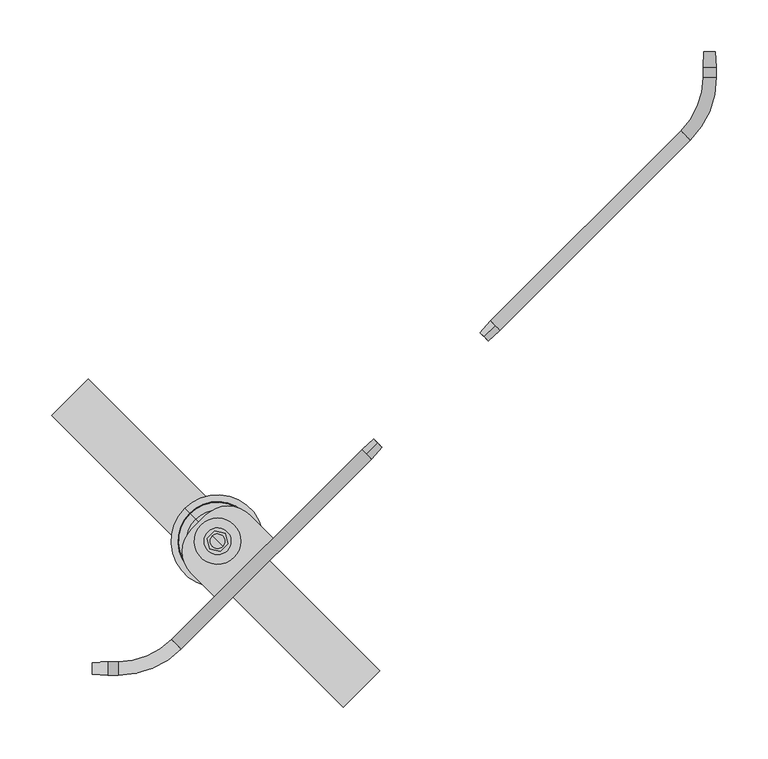
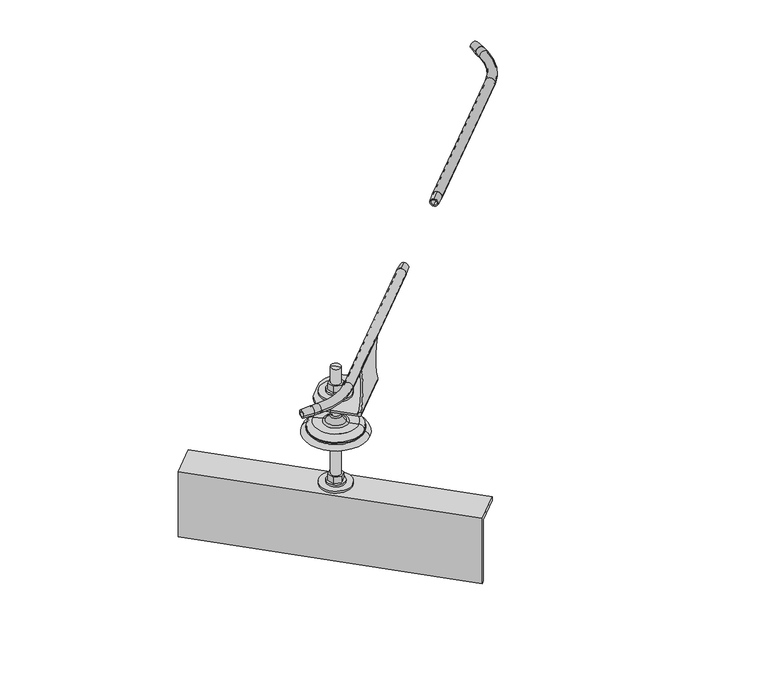
"""IFC4 building model written with IfcOpenShell, lengths in millimetres: proxy geometry."""

from ifc_helpers import new_model, si_unit, point, frame, frame_2d, origin, place, context, project, spatial, polyline, circle_curve, ellipse_curve, trimmed, segment, composite_curve, outline, extrude, source, transform, mapped, element, save
from ifc_brep_helpers import plane_surface, cylinder_surface, revolved_surface, advanced_brep


def specialty_equipment_0eb4c5b4(model_context):
    return source(origin(), model_context, "Body", "SolidModel", [
        advanced_brep(
        [(8259.4, 5.5450814, 143.5), (8274.4, 6.5, 143.5), (8274.4, -6.5, 143.5), (8259.4, -5.5450814, 143.5), (8274.4, 3.5289354, 143.5), (8259.4, 3.5289354, 143.5), (8259.4, -3.5289354, 143.5), (8274.4, -3.5289354, 143.5)],
        [
            (0, 1),
            (1, 2, circle_curve(frame((8274.4, 0.0, 143.5), z_axis=(-1.0, 0.0, 0.0), x_axis=(0.0, -1.0, 0.0)), 6.5)),
            (2, 3),
            (3, 0, circle_curve(frame((8259.4, 0.0, 143.5), z_axis=(1.0, 0.0, 0.0), x_axis=(0.0, -1.0, 0.0)), 5.5450814)),
            (4, 5),
            (5, 6, circle_curve(frame((8259.4, 0.0, 143.5), z_axis=(-1.0, 0.0, 0.0), x_axis=(0.0, -1.0, 0.0)), 3.5289354)),
            (6, 7),
            (7, 4, circle_curve(frame((8274.4, 0.0, 143.5), z_axis=(1.0, 0.0, 0.0), x_axis=(0.0, -1.0, 0.0)), 3.5289354)),
            (1, 2, circle_curve(frame((8274.4, 0.0, 143.5), z_axis=(1.0, 0.0, 0.0), x_axis=(0.0, 1.0, 0.0)), 6.5)),
            (7, 4, circle_curve(frame((8274.4, 0.0, 143.5), z_axis=(-1.0, 0.0, 0.0), x_axis=(0.0, 1.0, 0.0)), 3.5289354)),
            (0, 3, circle_curve(frame((8259.4, 0.0, 143.5), z_axis=(1.0, 0.0, 0.0), x_axis=(0.0, 1.0, 0.0)), 5.5450814)),
            (5, 6, circle_curve(frame((8259.4, 0.0, 143.5), z_axis=(1.0, 0.0, 0.0), x_axis=(0.0, 1.0, 0.0)), 3.5289354)),
        ],
        [
            revolved_surface(polyline([(8274.4, -6.5, 143.5), (8259.4, -5.5450814, 143.5)]), (8274.4, 0.0, 143.5), (-1.0, 0.0, 0.0)),
            revolved_surface(polyline([(8259.4, -3.5289354, 143.5), (8274.4, -3.5289354, 143.5)]), (8274.4, 0.0, 143.5), (-1.0, 0.0, 0.0)),
            plane_surface(frame((8274.4, 0.0, 143.5), z_axis=(1.0, 0.0, 0.0), x_axis=(0.0, 1.0, 0.0))),
            revolved_surface(polyline([(8274.4, 6.5, 143.5), (8259.4, 5.5450814, 143.5)]), (8274.4, 0.0, 143.5), (-1.0, 0.0, 0.0)),
            plane_surface(frame((8259.4, 0.0, 143.5), z_axis=(-1.0, 0.0, 0.0), x_axis=(0.0, 1.0, 0.0))),
            revolved_surface(polyline([(8259.4, 3.5289354, 143.5), (8274.4, 3.5289354, 143.5)]), (8274.4, 0.0, 143.5), (-1.0, 0.0, 0.0)),
        ],
        [
            (0, [[1, 2, 3, 4]]),
            (1, [[5, 6, 7, 8]]),
            (2, [[-2, 9], [-8, 10]]),
            (3, [[-3, -9, -1, 11]]),
            (4, [[-4, -11], [-6, 12]]),
            (5, [[-7, -12, -5, -10]]),
        ],
    ),
        advanced_brep(
        [(8536.0267839, 218.4896989, 149.0859083), (8525.4201822, 207.8830972, 150.0), (8525.4201822, 207.8830972, 137.0), (8536.0267839, 218.4896989, 137.9140917), (8525.4201822, 207.8830972, 147.0859083), (8536.0267839, 218.4896989, 147.0859083), (8536.0267839, 218.4896989, 139.9140917), (8525.4201822, 207.8830972, 139.9140917)],
        [
            (0, 1),
            (1, 2, circle_curve(frame((8525.4201822, 207.8830972, 143.5), z_axis=(0.7071067811866977, 0.7071067811863975, 0.0), x_axis=(0.0, 0.0, -1.0)), 6.5)),
            (2, 3),
            (3, 0, circle_curve(frame((8536.0267839, 218.4896989, 143.5), z_axis=(-0.7071067811866977, -0.7071067811863975, 0.0), x_axis=(0.0, 0.0, -1.0)), 5.5859083)),
            (4, 5),
            (5, 6, circle_curve(frame((8536.0267839, 218.4896989, 143.5), z_axis=(0.7071067811866977, 0.7071067811863975, 0.0), x_axis=(0.0, 0.0, -1.0)), 3.5859083)),
            (6, 7),
            (7, 4, circle_curve(frame((8525.4201822, 207.8830972, 143.5), z_axis=(-0.7071067811866977, -0.7071067811863975, 0.0), x_axis=(0.0, 0.0, -1.0)), 3.5859083)),
            (1, 2, circle_curve(frame((8525.4201822, 207.8830972, 143.5), z_axis=(-0.7071067811866977, -0.7071067811863975, 0.0), x_axis=(0.0, 0.0, 1.0)), 6.5859083)),
            (7, 4, circle_curve(frame((8525.4201822, 207.8830972, 143.5), z_axis=(0.7071067811866977, 0.7071067811863975, 0.0), x_axis=(0.0, 0.0, 1.0)), 3.5859083)),
            (0, 3, circle_curve(frame((8536.0267839, 218.4896989, 143.5), z_axis=(-0.7071067811866977, -0.7071067811863975, 0.0), x_axis=(0.0, 0.0, 1.0)), 5.5859083)),
            (5, 6, circle_curve(frame((8536.0267839, 218.4896989, 143.5), z_axis=(-0.7071067811866977, -0.7071067811863975, 0.0), x_axis=(0.0, 0.0, 1.0)), 3.5859083)),
        ],
        [
            revolved_surface(polyline([(8525.4201822, 207.8830972, 137.0), (8536.0267839, 218.4896989, 137.9140917)]), (8525.4201822, 207.8830972, 143.5), (0.7071067811866977, 0.7071067811863975, 0.0)),
            revolved_surface(polyline([(8536.026783900003, 218.48969889999836, 139.9140917), (8525.4201822, 207.8830972, 139.9140917)]), (8525.4201822, 207.8830972, 143.5), (0.7071067811866977, 0.7071067811863975, 0.0)),
            plane_surface(frame((8525.4201822, 207.8830972, 143.5), z_axis=(-0.7071067811866977, -0.7071067811863975, 0.0), x_axis=(0.0, 0.0, 1.0))),
            revolved_surface(polyline([(8525.4201822, 207.8830972, 150.0), (8536.0267839, 218.4896989, 149.0859083)]), (8525.4201822, 207.8830972, 143.5), (0.7071067811866977, 0.7071067811863975, 0.0)),
            plane_surface(frame((8536.0267839, 218.4896989, 143.5), z_axis=(0.7071067811866977, 0.7071067811863975, 0.0), x_axis=(0.0, 0.0, 1.0))),
            revolved_surface(polyline([(8536.026783900003, 218.48969889999836, 147.0859083), (8525.4201822, 207.8830972, 147.0859083)]), (8525.4201822, 207.8830972, 143.5), (0.7071067811866977, 0.7071067811863975, 0.0)),
        ],
        [
            (0, [[1, 2, 3, 4]]),
            (1, [[5, 6, 7, 8]]),
            (2, [[-2, 9], [-8, 10]]),
            (3, [[-3, -9, -1, 11]]),
            (4, [[-4, -11], [-6, 12]]),
            (5, [[-7, -12, -5, -10]]),
        ],
    ),
        advanced_brep(
        [(8274.4, 6.5, 143.5), (8274.4, -6.5, 143.5), (8274.4, 5.0, 143.5), (8274.4, -5.0, 143.5), (8520.8239881, 212.4792913, 143.5), (8530.0163763, 203.2869031, 143.5), (8521.8846483, 211.4186311, 143.5), (8528.9557161, 204.3475633, 143.5), (8345.5647366, 18.8352634, 143.5), (8336.3723484, 28.0276516, 143.5), (8344.5040764, 19.8959236, 143.5), (8337.4330086, 26.9669914, 143.5), (8284.4, -6.5, 143.5), (8284.4, 6.5, 143.5), (8284.4, -5.0, 143.5), (8284.4, 5.0, 143.5)],
        [
            (0, 1, circle_curve(frame((8274.4, 0.0, 143.5), z_axis=(-1.0, 0.0, 0.0), x_axis=(0.0, -1.0, 0.0)), 6.5)),
            (1, 0, circle_curve(frame((8274.4, 0.0, 143.5), z_axis=(-1.0, 0.0, 0.0), x_axis=(0.0, -1.0, 0.0)), 6.5)),
            (2, 3, circle_curve(frame((8274.4, 0.0, 143.5), z_axis=(1.0, 0.0, 0.0), x_axis=(0.0, -1.0, 0.0)), 5.0)),
            (3, 2, circle_curve(frame((8274.4, 0.0, 143.5), z_axis=(1.0, 0.0, 0.0), x_axis=(0.0, -1.0, 0.0)), 5.0)),
            (4, 5, circle_curve(frame((8525.4201822, 207.8830972, 143.5), z_axis=(0.7071067811866976, 0.7071067811863976, 0.0), x_axis=(0.7071067811863976, -0.7071067811866976, 0.0)), 6.5)),
            (5, 4, circle_curve(frame((8525.4201822, 207.8830972, 143.5), z_axis=(0.7071067811866976, 0.7071067811863976, 0.0), x_axis=(0.7071067811863976, -0.7071067811866976, 0.0)), 6.5)),
            (6, 7, circle_curve(frame((8525.4201822, 207.8830972, 143.5), z_axis=(-0.7071067811866976, -0.7071067811863976, 0.0), x_axis=(0.7071067811863976, -0.7071067811866976, 0.0)), 5.0)),
            (7, 6, circle_curve(frame((8525.4201822, 207.8830972, 143.5), z_axis=(-0.7071067811866976, -0.7071067811863976, 0.0), x_axis=(0.7071067811863976, -0.7071067811866976, 0.0)), 5.0)),
            (8, 5),
            (4, 9),
            (9, 8, circle_curve(frame((8340.9685425, 23.4314575, 143.5), z_axis=(0.7071067811866976, 0.7071067811863976, 0.0), x_axis=(0.7071067811863976, -0.7071067811866976, 0.0)), 6.5)),
            (8, 9, circle_curve(frame((8340.9685425, 23.4314575, 143.5), z_axis=(0.7071067811866976, 0.7071067811863976, 0.0), x_axis=(0.7071067811863976, -0.7071067811866976, 0.0)), 6.5)),
            (10, 7),
            (6, 11),
            (11, 10, circle_curve(frame((8340.9685425, 23.4314575, 143.5), z_axis=(-0.7071067811866976, -0.7071067811863976, 0.0), x_axis=(0.7071067811863976, -0.7071067811866976, 0.0)), 5.0)),
            (10, 11, circle_curve(frame((8340.9685425, 23.4314575, 143.5), z_axis=(-0.7071067811866976, -0.7071067811863976, 0.0), x_axis=(0.7071067811863976, -0.7071067811866976, 0.0)), 5.0)),
            (1, 12),
            (12, 13, circle_curve(frame((8284.4, 0.0, 143.5), z_axis=(-1.0, 0.0, 0.0), x_axis=(0.0, -1.0, 0.0)), 6.5)),
            (13, 0),
            (13, 12, circle_curve(frame((8284.4, 0.0, 143.5), z_axis=(-1.0, 0.0, 0.0), x_axis=(0.0, -1.0, 0.0)), 6.5)),
            (3, 14),
            (14, 15, circle_curve(frame((8284.4, 0.0, 143.5), z_axis=(1.0, 0.0, 0.0), x_axis=(0.0, -1.0, 0.0)), 5.0)),
            (15, 2),
            (15, 14, circle_curve(frame((8284.4, 0.0, 143.5), z_axis=(1.0, 0.0, 0.0), x_axis=(0.0, -1.0, 0.0)), 5.0)),
            (9, 13, circle_curve(frame((8284.4, 80.0, 143.5), z_axis=(0.0, 0.0, -1.0), x_axis=(0.0, -1.0, 0.0)), 73.5)),
            (12, 8, circle_curve(frame((8284.4, 80.0, 143.5), z_axis=(0.0, 0.0, 1.0), x_axis=(0.0, -1.0, 0.0)), 86.5)),
            (11, 15, circle_curve(frame((8284.4, 80.0, 143.5), z_axis=(0.0, 0.0, -1.0), x_axis=(0.0, -1.0, 0.0)), 75.0)),
            (14, 10, circle_curve(frame((8284.4, 80.0, 143.5), z_axis=(0.0, 0.0, 1.0), x_axis=(0.0, -1.0, 0.0)), 85.0)),
        ],
        [
            plane_surface(frame((8274.4, 0.0, 150.0), z_axis=(-1.0, 0.0, 0.0), x_axis=(0.0, 0.0, 1.0))),
            plane_surface(frame((8525.4201822, 207.8830972, 150.0), z_axis=(0.7071067811866977, 0.7071067811863975, 0.0), x_axis=(0.0, 0.0, 1.0))),
            cylinder_surface(frame((8340.9685425, 23.4314575, 143.5), z_axis=(-0.7071067811866976, -0.7071067811863976, 0.0), x_axis=(0.7071067811863976, -0.7071067811866976, 0.0)), 6.5),
            revolved_surface(polyline([(8528.955716105971, 204.3475632940275, 143.5), (8344.504076405932, 19.895923594065867, 143.5)]), (8340.9685425, 23.4314575, 143.5), (0.7071067811866976, 0.7071067811863976, 0.0)),
            cylinder_surface(frame((8274.4, 0.0, 143.5), z_axis=(-1.0, 0.0, 0.0), x_axis=(0.0, -1.0, 0.0)), 6.5),
            revolved_surface(polyline([(8284.4, -5.0, 143.5), (8274.4, -5.0, 143.5)]), (8274.4, 0.0, 143.5), (1.0, 0.0, 0.0)),
            revolved_surface(trimmed(ellipse_curve(frame((8284.4, 0.0, 143.5), z_axis=(1.0, 0.0, 0.0), x_axis=(0.0, -1.0, 0.0)), 6.5, 6.5), [point((8284.4, 6.5, 143.5))], [point((8284.4, -6.5, 143.5))], True, "CARTESIAN"), (8284.4, 80.0, 150.0), (0.0, 0.0, -1.0)),
            revolved_surface(trimmed(ellipse_curve(frame((8284.4, 0.0, 143.5), z_axis=(1.0, 0.0, 0.0), x_axis=(0.0, -1.0, 0.0)), 6.5, 6.5), [point((8284.4, -6.5, 143.5))], [point((8284.4, 6.5, 143.5))], True, "CARTESIAN"), (8284.4, 80.0, 150.0), (0.0, 0.0, -1.0)),
            revolved_surface(trimmed(ellipse_curve(frame((8284.4, 0.0, 143.5), z_axis=(-1.0, 0.0, 0.0), x_axis=(0.0, -1.0, 0.0)), 5.0, 5.0), [point((8284.4, 5.0, 143.5))], [point((8284.4, -5.0, 143.5))], True, "CARTESIAN"), (8284.4, 80.0, 150.0), (0.0, 0.0, -1.0)),
            revolved_surface(trimmed(ellipse_curve(frame((8284.4, 0.0, 143.5), z_axis=(-1.0, 0.0, 0.0), x_axis=(0.0, -1.0, 0.0)), 5.0, 5.0), [point((8284.4, -5.0, 143.5))], [point((8284.4, 5.0, 143.5))], True, "CARTESIAN"), (8284.4, 80.0, 150.0), (0.0, 0.0, -1.0)),
        ],
        [
            (0, [[1, 2], [3, 4]]),
            (1, [[5, 6], [7, 8]]),
            (2, [[9, -5, 10, 11]]),
            (2, [[-10, -6, -9, 12]]),
            (3, [[13, -7, 14, 15]]),
            (3, [[-14, -8, -13, 16]]),
            (4, [[17, 18, 19, -2]]),
            (4, [[-19, 20, -17, -1]]),
            (5, [[21, 22, 23, -4]]),
            (5, [[-23, 24, -21, -3]]),
            (6, [[-11, 25, -18, 26]]),
            (7, [[-12, -26, -20, -25]]),
            (8, [[-15, 27, -22, 28]]),
            (9, [[-16, -28, -24, -27]]),
        ],
    ),
        extrude(outline(polyline([(8388.0546224, 130.8165455), (8390.7443488, 120.7783498), (8383.3958796, 113.4298806), (8373.357684, 116.119607), (8370.6679576, 126.1578026), (8378.0164268, 133.5062719), (8388.0546224, 130.8165455)]), holes=[composite_curve([segment(trimmed(circle_curve(frame_2d((8380.7061532, 123.4680762)), 7.0), [point((8385.6559007, 118.5183288))], [point((8375.7564057, 128.4178237))], True, "CARTESIAN"), True, "CONTINUOUS"), segment(trimmed(circle_curve(frame_2d((8380.7061532, 123.4680762)), 7.0), [point((8375.7564057, 128.4178237))], [point((8385.6559007, 118.5183288))], True, "CARTESIAN"), True, "CONTINUOUS")], self_intersect=False)]), frame((0.0, 0.0, -75.0), z_axis=(0.0, 0.0, 1.0), x_axis=(1.0, 0.0, 0.0)), (0.0, 0.0, 1.0), 10.0),
        extrude(outline(composite_curve([segment(trimmed(circle_curve(frame_2d((8380.7061532, 123.4680762)), 13.0), [point((8389.8985414, 114.2756881))], [point((8371.513765, 132.6604644))], False, "CARTESIAN"), True, "CONTINUOUS"), segment(trimmed(circle_curve(frame_2d((8380.7061532, 123.4680762)), 13.0), [point((8371.513765, 132.6604644))], [point((8389.8985414, 114.2756881))], False, "CARTESIAN"), True, "CONTINUOUS")], self_intersect=False)), frame((0.0, 0.0, -78.0), z_axis=(0.0, 0.0, 1.0), x_axis=(1.0, 0.0, 0.0)), (0.0, 0.0, 1.0), 3.0),
        extrude(outline(composite_curve([segment(trimmed(circle_curve(frame_2d((8380.7061532, 123.4680762)), 22.5), [point((8396.6160558, 107.5581736))], [point((8364.7962506, 139.3779788))], False, "CARTESIAN"), True, "CONTINUOUS"), segment(trimmed(circle_curve(frame_2d((8380.7061532, 123.4680762)), 22.5), [point((8364.7962506, 139.3779788))], [point((8396.6160558, 107.5581736))], False, "CARTESIAN"), True, "CONTINUOUS")], self_intersect=False)), frame((0.0, 0.0, -81.0), z_axis=(0.0, 0.0, 1.0), x_axis=(1.0, 0.0, 0.0)), (0.0, 0.0, 1.0), 3.0),
        extrude(outline(polyline([(19.0, -27.5), (-82.0, -27.5), (-82.0, -21.5), (13.0, -21.5), (13.0, 22.5), (19.0, 22.5), (19.0, -27.5)])), frame((8522.1275094, -17.95328, -100.0), z_axis=(-0.7071067811863975, 0.7071067811866977, 0.0), x_axis=(0.0, 0.0, 1.0)), (0.0, 0.0, 1.0), 400.0),
        extrude(outline(composite_curve([segment(trimmed(circle_curve(frame_2d((8380.7061532, 123.4680762)), 21.3), [point((8365.6447788, 138.5294507))], [point((8395.7675276, 108.4067018))], False, "CARTESIAN"), True, "CONTINUOUS"), segment(trimmed(circle_curve(frame_2d((8380.7061532, 123.4680762)), 21.3), [point((8395.7675276, 108.4067018))], [point((8365.6447788, 138.5294507))], False, "CARTESIAN"), True, "CONTINUOUS")], self_intersect=False)), frame((0.0, 0.0, -90.0), z_axis=(0.0, 0.0, 1.0), x_axis=(1.0, 0.0, 0.0)), (0.0, 0.0, 1.0), 3.0),
        extrude(outline(polyline([(8388.0546224, 130.8165455), (8390.7443488, 120.7783498), (8383.3958796, 113.4298806), (8373.357684, 116.119607), (8370.6679576, 126.1578026), (8378.0164268, 133.5062719), (8388.0546224, 130.8165455)]), holes=[composite_curve([segment(trimmed(circle_curve(frame_2d((8380.7061532, 123.4680762)), 7.0), [point((8375.7564057, 128.4178237))], [point((8385.6559007, 118.5183288))], True, "CARTESIAN"), True, "CONTINUOUS"), segment(trimmed(circle_curve(frame_2d((8380.7061532, 123.4680762)), 7.0), [point((8385.6559007, 118.5183288))], [point((8375.7564057, 128.4178237))], True, "CARTESIAN"), True, "CONTINUOUS")], self_intersect=False)]), frame((0.0, 0.0, -100.0), z_axis=(0.0, 0.0, 1.0), x_axis=(1.0, 0.0, 0.0)), (0.0, 0.0, 1.0), 10.0),
        extrude(outline(polyline([(8388.0546224, 130.8165455), (8390.7443488, 120.7783498), (8383.3958796, 113.4298806), (8373.357684, 116.119607), (8370.6679576, 126.1578026), (8378.0164268, 133.5062719), (8388.0546224, 130.8165455)]), holes=[composite_curve([segment(trimmed(circle_curve(frame_2d((8380.7061532, 123.4680762)), 7.0), [point((8375.7564057, 128.4178237))], [point((8385.6559007, 118.5183288))], True, "CARTESIAN"), True, "CONTINUOUS"), segment(trimmed(circle_curve(frame_2d((8380.7061532, 123.4680762)), 7.0), [point((8385.6559007, 118.5183288))], [point((8375.7564057, 128.4178237))], True, "CARTESIAN"), True, "CONTINUOUS")], self_intersect=False)]), frame((0.0, 0.0, 66.0), z_axis=(0.0, 0.0, 1.0), x_axis=(1.0, 0.0, 0.0)), (0.0, 0.0, 1.0), 10.0),
        extrude(outline(composite_curve([segment(trimmed(circle_curve(frame_2d((8380.7061532, 123.4680762)), 13.0), [point((8371.513765, 132.6604644))], [point((8389.8985414, 114.2756881))], False, "CARTESIAN"), True, "CONTINUOUS"), segment(trimmed(circle_curve(frame_2d((8380.7061532, 123.4680762)), 13.0), [point((8389.8985414, 114.2756881))], [point((8371.513765, 132.6604644))], False, "CARTESIAN"), True, "CONTINUOUS")], self_intersect=False)), frame((0.0, 0.0, 63.0), z_axis=(0.0, 0.0, 1.0), x_axis=(1.0, 0.0, 0.0)), (0.0, 0.0, 1.0), 3.0),
        extrude(outline(composite_curve([segment(trimmed(circle_curve(frame_2d((8380.7061532, 123.4680762)), 22.5), [point((8396.6160558, 107.5581736))], [point((8364.7962506, 139.3779788))], False, "CARTESIAN"), True, "CONTINUOUS"), segment(trimmed(circle_curve(frame_2d((8380.7061532, 123.4680762)), 22.5), [point((8364.7962506, 139.3779788))], [point((8396.6160558, 107.5581736))], False, "CARTESIAN"), True, "CONTINUOUS")], self_intersect=False)), frame((0.0, 0.0, 60.0), z_axis=(0.0, 0.0, 1.0), x_axis=(1.0, 0.0, 0.0)), (0.0, 0.0, 1.0), 3.0),
        extrude(outline(polyline([(8388.0546224, 130.8165455), (8390.7443488, 120.7783498), (8383.3958796, 113.4298806), (8373.357684, 116.119607), (8370.6679576, 126.1578026), (8378.0164268, 133.5062719), (8388.0546224, 130.8165455)]), holes=[composite_curve([segment(trimmed(circle_curve(frame_2d((8380.7061532, 123.4680762)), 7.0), [point((8375.7564057, 128.4178237))], [point((8385.6559007, 118.5183288))], True, "CARTESIAN"), True, "CONTINUOUS"), segment(trimmed(circle_curve(frame_2d((8380.7061532, 123.4680762)), 7.0), [point((8385.6559007, 118.5183288))], [point((8375.7564057, 128.4178237))], True, "CARTESIAN"), True, "CONTINUOUS")], self_intersect=False)]), frame((0.0, 0.0, 44.0), z_axis=(0.0, 0.0, 1.0), x_axis=(1.0, 0.0, 0.0)), (0.0, 0.0, 1.0), 10.0),
        extrude(outline(composite_curve([segment(trimmed(circle_curve(frame_2d((8380.7061532, 123.4680762)), 22.5), [point((8364.7962506, 107.5581736))], [point((8396.6160558, 139.3779788))], False, "CARTESIAN"), True, "CONTINUOUS"), segment(trimmed(circle_curve(frame_2d((8380.7061532, 123.4680762)), 22.5), [point((8396.6160558, 139.3779788))], [point((8364.7962506, 107.5581736))], False, "CARTESIAN"), True, "CONTINUOUS")], self_intersect=False)), frame((0.0, 0.0, 54.0), z_axis=(0.0, 0.0, 1.0), x_axis=(1.0, 0.0, 0.0)), (0.0, 0.0, 1.0), 3.0),
        advanced_brep(
        [(8385.6559007, 118.5183288, 0.0), (8412.4284925, 91.7457369, 0.0), (8348.9838139, 155.1904156, 0.0), (8375.7564057, 128.4178237, 0.0), (8385.6559007, 118.5183288, -100.0), (8375.7564057, 128.4178237, -100.0), (8380.7061532, 123.4680762, -100.0), (8385.6559007, 118.5183288, 100.0), (8380.7061532, 123.4680762, 100.0), (8375.7564057, 128.4178237, 100.0), (8385.6559007, 118.5183288, 27.7539053), (8375.7564057, 128.4178237, 27.7539053), (8390.2512322, 113.9229972, 17.8765248), (8386.4306464, 117.743583, 24.6304301), (8374.98166, 129.1925694, 24.6304301), (8371.1610742, 133.0131552, 17.8765248), (8401.937893, 102.2363365, 16.0), (8393.0120204, 111.1622091, 16.0), (8368.400286, 135.7739434, 16.0), (8359.4744134, 144.699816, 16.0), (8407.2226575, 96.9515719, 8.5262143), (8354.1896489, 149.9845805, 8.5262143), (8407.2226575, 96.9515719, 6.8656759), (8354.1896489, 149.9845805, 6.8656759), (8407.7957453, 96.3784841, 5.8712826), (8353.6165611, 150.5576683, 5.8712826)],
        [
            (0, 1),
            (1, 2, circle_curve(frame((8380.7061532, 123.4680762, 0.0), z_axis=(0.0, 0.0, -1.0), x_axis=(-0.7071067811863975, 0.7071067811866977, 0.0)), 44.8621625)),
            (2, 3),
            (3, 0, circle_curve(frame((8380.7061532, 123.4680762, 0.0), z_axis=(0.0, 0.0, 1.0), x_axis=(-0.7071067811863975, 0.7071067811866977, 0.0)), 7.0)),
            (2, 1, circle_curve(frame((8380.7061532, 123.4680762, 0.0), z_axis=(0.0, 0.0, -1.0), x_axis=(-0.7071067811863975, 0.7071067811866977, 0.0)), 44.8621625)),
            (0, 3, circle_curve(frame((8380.7061532, 123.4680762, 0.0), z_axis=(0.0, 0.0, 1.0), x_axis=(-0.7071067811863975, 0.7071067811866977, 0.0)), 7.0)),
            (4, 0),
            (3, 5),
            (5, 4, circle_curve(frame((8380.7061532, 123.4680762, -100.0), z_axis=(0.0, 0.0, 1.0), x_axis=(-0.7071067811863975, 0.7071067811866977, 0.0)), 7.0)),
            (4, 5, circle_curve(frame((8380.7061532, 123.4680762, -100.0), z_axis=(0.0, 0.0, 1.0), x_axis=(-0.7071067811863975, 0.7071067811866977, 0.0)), 7.0)),
            (6, 4),
            (5, 6),
            (7, 8),
            (8, 9),
            (9, 7, circle_curve(frame((8380.7061532, 123.4680762, 100.0), z_axis=(0.0, 0.0, 1.0), x_axis=(-0.7071067811863975, 0.7071067811866977, 0.0)), 7.0)),
            (7, 9, circle_curve(frame((8380.7061532, 123.4680762, 100.0), z_axis=(0.0, 0.0, 1.0), x_axis=(-0.7071067811863975, 0.7071067811866977, 0.0)), 7.0)),
            (10, 7),
            (9, 11),
            (11, 10, circle_curve(frame((8380.7061532, 123.4680762, 27.7539053), z_axis=(0.0, 0.0, 1.0), x_axis=(-0.7071067811863975, 0.7071067811866977, 0.0)), 7.0)),
            (10, 11, circle_curve(frame((8380.7061532, 123.4680762, 27.7539053), z_axis=(0.0, 0.0, 1.0), x_axis=(-0.7071067811863975, 0.7071067811866977, 0.0)), 7.0)),
            (12, 13),
            (13, 14, circle_curve(frame((8380.7061532, 123.4680762, 24.6304301), z_axis=(0.0, 0.0, -1.0), x_axis=(-0.7071067811863975, 0.7071067811866977, 0.0)), 8.095656)),
            (14, 15),
            (15, 12, circle_curve(frame((8380.7061532, 123.4680762, 17.8765248), z_axis=(0.0, 0.0, 1.0), x_axis=(-0.7071067811863975, 0.7071067811866977, 0.0)), 13.4987802)),
            (14, 13, circle_curve(frame((8380.7061532, 123.4680762, 24.6304301), z_axis=(0.0, 0.0, -1.0), x_axis=(-0.7071067811863975, 0.7071067811866977, 0.0)), 8.095656)),
            (12, 15, circle_curve(frame((8380.7061532, 123.4680762, 17.8765248), z_axis=(0.0, 0.0, 1.0), x_axis=(-0.7071067811863975, 0.7071067811866977, 0.0)), 13.4987802)),
            (16, 17),
            (17, 18, circle_curve(frame((8380.7061532, 123.4680762, 16.0), z_axis=(0.0, 0.0, -1.0), x_axis=(-0.7071067811863975, 0.7071067811866977, 0.0)), 17.4031242)),
            (18, 19),
            (19, 16, circle_curve(frame((8380.7061532, 123.4680762, 16.0), z_axis=(0.0, 0.0, 1.0), x_axis=(-0.7071067811863975, 0.7071067811866977, 0.0)), 30.0262143)),
            (18, 17, circle_curve(frame((8380.7061532, 123.4680762, 16.0), z_axis=(0.0, 0.0, -1.0), x_axis=(-0.7071067811863975, 0.7071067811866977, 0.0)), 17.4031242)),
            (16, 19, circle_curve(frame((8380.7061532, 123.4680762, 16.0), z_axis=(0.0, 0.0, 1.0), x_axis=(-0.7071067811863975, 0.7071067811866977, 0.0)), 30.0262143)),
            (20, 16, circle_curve(frame((8401.937893, 102.2363365, 8.5262143), z_axis=(-0.7071067811867, -0.7071067811863951, 0.0), x_axis=(-0.7071067811863951, 0.7071067811867, 0.0)), 7.4737857)),
            (19, 21, circle_curve(frame((8359.4744134, 144.699816, 8.5262143), z_axis=(-0.7071067811866977, -0.7071067811863975, 0.0), x_axis=(0.7071067811863975, -0.7071067811866977, 0.0)), 7.4737857)),
            (21, 20, circle_curve(frame((8380.7061532, 123.4680762, 8.5262143), z_axis=(0.0, 0.0, 1.0), x_axis=(-0.7071067811863975, 0.7071067811866977, 0.0)), 37.5)),
            (20, 21, circle_curve(frame((8380.7061532, 123.4680762, 8.5262143), z_axis=(0.0, 0.0, 1.0), x_axis=(-0.7071067811863975, 0.7071067811866977, 0.0)), 37.5)),
            (22, 20),
            (21, 23),
            (23, 22, circle_curve(frame((8380.7061532, 123.4680762, 6.8656759), z_axis=(0.0, 0.0, 1.0), x_axis=(-0.7071067811863975, 0.7071067811866977, 0.0)), 37.5)),
            (22, 23, circle_curve(frame((8380.7061532, 123.4680762, 6.8656759), z_axis=(0.0, 0.0, 1.0), x_axis=(-0.7071067811863975, 0.7071067811866977, 0.0)), 37.5)),
            (13, 10, circle_curve(frame((8389.1914346, 114.9827948, 27.7539053), z_axis=(0.7071067811867, 0.7071067811863951, 0.0), x_axis=(-0.7071067811863951, 0.7071067811867, 0.0)), 5.0)),
            (11, 14, circle_curve(frame((8372.2208718, 131.9533576, 27.7539053), z_axis=(0.7071067811866977, 0.7071067811863975, 0.0), x_axis=(0.7071067811863975, -0.7071067811866977, 0.0)), 5.0)),
            (17, 12, circle_curve(frame((8393.0120204, 111.1622091, 21.0), z_axis=(0.7071067811867, 0.7071067811863951, 0.0), x_axis=(-0.7071067811863951, 0.7071067811867, 0.0)), 5.0)),
            (15, 18, circle_curve(frame((8368.400286, 135.7739434, 21.0), z_axis=(0.7071067811866977, 0.7071067811863975, 0.0), x_axis=(0.7071067811863975, -0.7071067811866977, 0.0)), 5.0)),
            (24, 22, circle_curve(frame((8407.9405567, 96.2336727, 6.8656759), z_axis=(0.7071067811867, 0.7071067811863951, 0.0), x_axis=(-0.7071067811863951, 0.7071067811867, 0.0)), 1.0152629)),
            (23, 25, circle_curve(frame((8353.4717497, 150.7024798, 6.8656759), z_axis=(0.7071067811866977, 0.7071067811863975, 0.0), x_axis=(0.7071067811863975, -0.7071067811866977, 0.0)), 1.0152629)),
            (25, 24, circle_curve(frame((8380.7061532, 123.4680762, 5.8712826), z_axis=(0.0, 0.0, 1.0), x_axis=(-0.7071067811863975, 0.7071067811866977, 0.0)), 38.3104685)),
            (24, 25, circle_curve(frame((8380.7061532, 123.4680762, 5.8712826), z_axis=(0.0, 0.0, 1.0), x_axis=(-0.7071067811863975, 0.7071067811866977, 0.0)), 38.3104685)),
            (1, 24, circle_curve(frame((8406.5494828, 97.6247467, -2.686569), z_axis=(-0.7071067811867, -0.7071067811863951, 0.0), x_axis=(-0.7071067811863951, 0.7071067811867, 0.0)), 8.7374576)),
            (25, 2, circle_curve(frame((8354.8628236, 149.3114058, -2.686569), z_axis=(-0.7071067811866977, -0.7071067811863975, 0.0), x_axis=(0.7071067811863975, -0.7071067811866977, 0.0)), 8.7374576)),
        ],
        [
            plane_surface(frame((8380.7061532, 123.4680762, 0.0), z_axis=(0.0, 0.0, -1.0000000000000002), x_axis=(-0.7071067811863975, 0.7071067811866977, 0.0))),
            cylinder_surface(frame((8380.7061532, 123.4680762, 93.0), z_axis=(0.0, 0.0, -1.0), x_axis=(-0.7071067811863975, 0.7071067811866977, 0.0)), 7.0),
            plane_surface(frame((8380.7061532, 123.4680762, -100.0), z_axis=(0.0, 0.0, -1.0000000000000002), x_axis=(-0.7071067811863975, 0.7071067811866977, 0.0))),
            plane_surface(frame((8380.7061532, 123.4680762, 100.0), z_axis=(0.0, 0.0, 1.0000000000000002), x_axis=(-0.7071067811863975, 0.7071067811866977, 0.0))),
            revolved_surface(polyline([(8374.98166, 129.1925694, 24.6304301), (8371.1610742, 133.0131552, 17.8765248)]), (8380.7061532, 123.4680762, 93.0), (0.0, 0.0, -1.0)),
            plane_surface(frame((8380.7061532, 123.4680762, 16.0), z_axis=(0.0, 0.0, 1.0000000000000002), x_axis=(-0.7071067811863975, 0.7071067811866977, 0.0))),
            revolved_surface(trimmed(ellipse_curve(frame((8359.4744134, 144.699816, 8.5262143), z_axis=(-0.7071067811866977, -0.7071067811863975, 0.0), x_axis=(0.7071067811863975, -0.7071067811866977, 0.0)), 7.4737857, 7.4737857), [point((8359.4744134, 144.699816, 16.0))], [point((8354.1896489, 149.9845805, 8.5262143))], True, "CARTESIAN"), (8380.7061532, 123.4680762, 93.0), (0.0, 0.0, -1.0)),
            cylinder_surface(frame((8380.7061532, 123.4680762, 93.0), z_axis=(0.0, 0.0, -1.0), x_axis=(-0.7071067811863975, 0.7071067811866977, 0.0)), 37.5),
            revolved_surface(trimmed(ellipse_curve(frame((8372.2208718, 131.9533576, 27.7539053), z_axis=(0.7071067811866977, 0.7071067811863975, 0.0), x_axis=(0.7071067811863975, -0.7071067811866977, 0.0)), 5.0, 5.0), [point((8375.7564057, 128.4178237, 27.7539053))], [point((8374.98166, 129.1925694, 24.6304301))], True, "CARTESIAN"), (8380.7061532, 123.4680762, 93.0), (0.0, 0.0, -1.0)),
            revolved_surface(trimmed(ellipse_curve(frame((8368.400286, 135.7739434, 21.0), z_axis=(0.7071067811866977, 0.7071067811863975, 0.0), x_axis=(0.7071067811863975, -0.7071067811866977, 0.0)), 5.0, 5.0), [point((8371.1610742, 133.0131552, 17.8765248))], [point((8368.400286, 135.7739434, 16.0))], True, "CARTESIAN"), (8380.7061532, 123.4680762, 93.0), (0.0, 0.0, -1.0)),
            revolved_surface(trimmed(ellipse_curve(frame((8353.4717497, 150.7024798, 6.8656759), z_axis=(0.7071067811866977, 0.7071067811863975, 0.0), x_axis=(0.7071067811863975, -0.7071067811866977, 0.0)), 1.0152629, 1.0152629), [point((8354.1896489, 149.9845805, 6.8656759))], [point((8353.6165611, 150.5576683, 5.8712826))], True, "CARTESIAN"), (8380.7061532, 123.4680762, 93.0), (0.0, 0.0, -1.0)),
            revolved_surface(trimmed(ellipse_curve(frame((8354.8628236, 149.3114058, -2.686569), z_axis=(-0.7071067811866977, -0.7071067811863975, 0.0), x_axis=(0.7071067811863975, -0.7071067811866977, 0.0)), 8.7374576, 8.7374576), [point((8353.6165611, 150.5576683, 5.8712826))], [point((8348.9838139, 155.1904156, 0.0))], True, "CARTESIAN"), (8380.7061532, 123.4680762, 93.0), (0.0, 0.0, -1.0)),
        ],
        [
            (0, [[1, 2, 3, 4]]),
            (0, [[-3, 5, -1, 6]]),
            (1, [[7, -4, 8, 9]]),
            (1, [[-8, -6, -7, 10]]),
            (2, [[11, -9, 12]]),
            (2, [[-12, -10, -11]]),
            (3, [[13, 14, 15]]),
            (3, [[-14, -13, 16]]),
            (1, [[17, -15, 18, 19]]),
            (1, [[-18, -16, -17, 20]]),
            (4, [[21, 22, 23, 24]]),
            (4, [[-23, 25, -21, 26]]),
            (5, [[27, 28, 29, 30]]),
            (5, [[-29, 31, -27, 32]]),
            (6, [[33, -30, 34, 35]]),
            (6, [[-34, -32, -33, 36]]),
            (7, [[37, -35, 38, 39]]),
            (7, [[-38, -36, -37, 40]]),
            (8, [[41, -19, 42, -22]]),
            (8, [[-42, -20, -41, -25]]),
            (9, [[43, -24, 44, -28]]),
            (9, [[-44, -26, -43, -31]]),
            (10, [[45, -39, 46, 47]]),
            (10, [[-46, -40, -45, 48]]),
            (11, [[49, -47, 50, -2]]),
            (11, [[-50, -48, -49, -5]]),
        ],
    ),
        advanced_brep(
        [(8438.0799065, 122.6628655, 57.0), (8411.9163174, 148.8264545, 57.0), (8411.9163174, 148.8264545, 60.0), (8435.9579479, 124.784824, 60.0), (8438.0792683, 122.6635036, 63.0), (8440.2005886, 120.5421833, 63.0), (8440.2005886, 120.5421833, 59.9999999), (8440.2005886, 120.5421833, 130.6941216), (8438.0792683, 122.6635036, 130.6941216), (8437.951337, 122.7914349, 131.720182), (8436.2015213, 124.5412507, 138.5191259), (8442.0783357, 118.6644363, 138.5191259), (8440.3285199, 120.414252, 131.720182), (8379.3894054, 68.2162815, 60.0), (8355.3477749, 92.257912, 60.0), (8355.3477749, 92.257912, 57.0), (8381.511364, 66.094323, 57.0), (8383.6320461, 63.9736408, 59.9999999), (8383.6320461, 63.9736408, 63.0), (8381.5107258, 66.0949611, 63.0), (8381.5107258, 66.0949611, 130.6941216), (8383.6320461, 63.9736408, 130.6941216), (8383.7599774, 63.8457095, 131.720182), (8385.5097932, 62.0958938, 138.5191259), (8379.6329788, 67.9727082, 138.5191259), (8381.3827945, 66.2228924, 131.720182), (8369.4899105, 148.8264545, 60.0), (8355.3477749, 134.6843189, 60.0), (8369.4899105, 148.8264545, 57.0), (8355.3477749, 134.6843189, 57.0)],
        [
            (0, 1),
            (1, 2),
            (2, 3),
            (3, 4, circle_curve(frame((8435.9579479, 124.784824, 63.0), z_axis=(-0.7071067811866977, -0.7071067811863975, 0.0), x_axis=(0.7071067811863975, -0.7071067811866977, 0.0)), 3.0)),
            (4, 5),
            (5, 6),
            (6, 0, circle_curve(frame((8438.0792683, 122.6635036, 59.9999999), z_axis=(0.7071067811866977, 0.7071067811863975, 0.0), x_axis=(0.7071067811863975, -0.7071067811866977, 0.0)), 3.0)),
            (7, 8),
            (8, 9, circle_curve(frame((8435.9579479, 124.784824, 130.6941216), z_axis=(-0.7071067811866977, -0.7071067811863975, 0.0), x_axis=(0.7071067811863975, -0.7071067811866977, 0.0)), 3.0)),
            (9, 10),
            (10, 11, circle_curve(frame((8439.1399285, 121.6028435, 143.5172781), z_axis=(-0.7071067811866977, -0.7071067811863975, 0.0), x_axis=(0.7071067811863975, -0.7071067811866977, 0.0)), 6.5)),
            (11, 12),
            (12, 7, circle_curve(frame((8442.321909, 118.4208629, 130.6941216), z_axis=(-0.7071067811866977, -0.7071067811863975, 0.0), x_axis=(0.7071067811863975, -0.7071067811866977, 0.0)), 3.0)),
            (13, 14),
            (14, 15),
            (15, 16),
            (16, 17, circle_curve(frame((8381.5107258, 66.0949611, 59.9999999), z_axis=(-0.7071067811866977, -0.7071067811863975, 0.0), x_axis=(0.7071067811863975, -0.7071067811866977, 0.0)), 3.0)),
            (17, 18),
            (18, 19),
            (19, 13, circle_curve(frame((8379.3894054, 68.2162815, 63.0), z_axis=(0.7071067811866977, 0.7071067811863975, 0.0), x_axis=(0.7071067811863975, -0.7071067811866977, 0.0)), 3.0)),
            (20, 21),
            (21, 22, circle_curve(frame((8385.7533665, 61.8523205, 130.6941216), z_axis=(0.7071067811866977, 0.7071067811863975, 0.0), x_axis=(0.7071067811863975, -0.7071067811866977, 0.0)), 3.0)),
            (22, 23),
            (23, 24, circle_curve(frame((8382.571386, 65.034301, 143.5172781), z_axis=(0.7071067811866977, 0.7071067811863975, 0.0), x_axis=(0.7071067811863975, -0.7071067811866977, 0.0)), 6.5)),
            (24, 25),
            (25, 20, circle_curve(frame((8379.3894054, 68.2162815, 130.6941216), z_axis=(0.7071067811866977, 0.7071067811863975, 0.0), x_axis=(0.7071067811863975, -0.7071067811866977, 0.0)), 3.0)),
            (2, 26, circle_curve(frame((8390.7031139, 127.6132511, 60.0), z_axis=(0.0, 0.0, 1.0), x_axis=(0.7071067811866977, 0.7071067811863975, 0.0)), 30.0)),
            (26, 27),
            (27, 14, circle_curve(frame((8376.5609783, 113.4711155, 60.0), z_axis=(0.0, 0.0, 1.0), x_axis=(0.7071067811866977, 0.7071067811863975, 0.0)), 30.0)),
            (13, 3),
            (26, 28),
            (28, 29),
            (29, 27),
            (15, 29, circle_curve(frame((8376.5609783, 113.4711155, 57.0), z_axis=(0.0, 0.0, -1.0), x_axis=(0.7071067811866977, 0.7071067811863975, 0.0)), 30.0)),
            (28, 1, circle_curve(frame((8390.7031139, 127.6132511, 57.0), z_axis=(0.0, 0.0, -1.0), x_axis=(0.7071067811866977, 0.7071067811863975, 0.0)), 30.0)),
            (0, 16),
            (18, 21, circle_curve(frame((8340.3055157, 20.6471104, 96.8470608), z_axis=(0.7071067811863975, -0.7071067811866977, 0.0), x_axis=(0.0, 0.0, 1.0)), 70.0)),
            (20, 19, circle_curve(frame((8338.1841954, 22.7684307, 96.8470608), z_axis=(-0.7071067811863975, 0.7071067811866977, 0.0), x_axis=(0.0, 0.0, 1.0)), 70.0)),
            (7, 5, circle_curve(frame((8483.527119, 163.8687137, 96.8470608), z_axis=(0.7071067811863975, -0.7071067811866977, 0.0), x_axis=(0.0, 0.0, 1.0)), 70.0)),
            (4, 8, circle_curve(frame((8481.4057987, 165.990034, 96.8470608), z_axis=(-0.7071067811863975, 0.7071067811866977, 0.0), x_axis=(0.0, 0.0, 1.0)), 70.0)),
            (6, 17),
            (7, 21),
            (12, 22),
            (11, 23),
            (10, 24),
            (9, 25),
            (8, 20),
            (4, 19),
        ],
        [
            plane_surface(frame((8440.2005886, 120.5421833, 59.9999999), z_axis=(0.7071067811866977, 0.7071067811863975, 0.0), x_axis=(0.0, 0.0, 1.0))),
            plane_surface(frame((8383.6320461, 63.9736408, 59.9999999), z_axis=(-0.7071067811866977, -0.7071067811863975, 0.0), x_axis=(0.0, 0.0, -1.0))),
            plane_surface(frame((8435.9579479, 124.784824, 60.0), z_axis=(0.0, 0.0, 1.0000000000000002), x_axis=(-0.7071067811866977, -0.7071067811863975, 0.0))),
            plane_surface(frame((8390.7031139, 170.039658, 60.0), z_axis=(-0.7071067811863975, 0.7071067811866977, 0.0), x_axis=(-0.7071067811866977, -0.7071067811863975, 0.0))),
            plane_surface(frame((8390.7031139, 170.039658, 57.0), z_axis=(0.0, 0.0, -1.0000000000000002), x_axis=(-0.7071067811866977, -0.7071067811863975, 0.0))),
            revolved_surface(polyline([(8340.3055157, 20.647110399999217, 166.8470608), (8338.18419539999, 22.76843070000845, 166.8470608)]), (8338.1841954, 22.7684307, 96.8470608), (0.7071067811863975, -0.7071067811866977, 0.0)),
            revolved_surface(polyline([(8483.52711900001, 163.86871369998966, 166.8470608), (8481.4057987, 165.9900339999998, 166.8470608)]), (8481.0522453, 166.3435874, 96.8470608), (0.7071067811863975, -0.7071067811866977, 0.0)),
            cylinder_surface(frame((8376.5609783, 113.4711155, 60.0), z_axis=(0.0, 0.0, 1.0), x_axis=(0.7071067811866977, 0.7071067811863975, 0.0)), 30.0),
            cylinder_surface(frame((8390.7031139, 127.6132511, 60.0), z_axis=(0.0, 0.0, 1.0), x_axis=(0.7071067811866977, 0.7071067811863975, 0.0)), 30.0),
            cylinder_surface(frame((8381.5107258, 66.0949611, 59.9999999), z_axis=(0.7071067811866977, 0.7071067811863975, 0.0), x_axis=(0.7071067811863975, -0.7071067811866977, 0.0)), 3.0),
            plane_surface(frame((8440.2005886, 120.5421833, 59.9999999), z_axis=(0.7071067811863975, -0.7071067811866977, 0.0), x_axis=(-0.7071067811866977, -0.7071067811863975, 0.0))),
            revolved_surface(polyline([(8387.874686793559, 59.73100010643945, 130.6941216), (8444.443229293573, 116.29954260642845, 130.6941216)]), (8385.7533665, 61.8523205, 130.6941216), (-0.7071067811866977, -0.7071067811863975, 0.0)),
            plane_surface(frame((8440.3285199, 120.414252, 131.720182), z_axis=(0.6644630243889527, -0.664463024389237, -0.3420201433240364), x_axis=(-0.7071067811866977, -0.7071067811863975, 0.0))),
            revolved_surface(polyline([(8387.167580077712, 60.43810692228617, 143.5172781), (8443.736122577724, 117.0066494222753, 143.5172781)]), (8382.571386, 65.034301, 143.5172781), (-0.7071067811866977, -0.7071067811863975, 0.0)),
            plane_surface(frame((8436.2015213, 124.5412507, 138.5191259), z_axis=(-0.664463024388731, 0.6644630243890108, -0.3420201433249068), x_axis=(-0.7071067811866977, -0.7071067811863975, 0.0))),
            revolved_surface(polyline([(8381.51072574356, 66.0949611564399, 130.6941216), (8438.079268243573, 122.66350365642887, 130.6941216)]), (8379.3894054, 68.2162815, 130.6941216), (-0.7071067811866977, -0.7071067811863975, 0.0)),
            plane_surface(frame((8438.0792683, 122.6635036, 130.6941216), z_axis=(-0.7071067811863975, 0.7071067811866977, 0.0), x_axis=(-0.7071067811866977, -0.7071067811863975, 0.0))),
            revolved_surface(polyline([(8381.51072574356, 66.0949611564399, 63.0), (8438.079268243571, 122.66350365642867, 63.0)]), (8379.3894054, 68.2162815, 63.0), (-0.7071067811866977, -0.7071067811863975, 0.0)),
        ],
        [
            (0, [[1, 2, 3, 4, 5, 6, 7]]),
            (0, [[8, 9, 10, 11, 12, 13]]),
            (1, [[14, 15, 16, 17, 18, 19, 20]]),
            (1, [[21, 22, 23, 24, 25, 26]]),
            (2, [[-3, 27, 28, 29, -14, 30]]),
            (3, [[31, 32, 33, -28]]),
            (4, [[-16, 34, -32, 35, -1, 36]]),
            (5, [[37, -21, 38, -19]]),
            (6, [[39, -5, 40, -8]]),
            (7, [[-29, -33, -34, -15]]),
            (8, [[-35, -31, -27, -2]]),
            (9, [[41, -17, -36, -7]]),
            (10, [[-6, -39, 42, -37, -18, -41]]),
            (11, [[43, -22, -42, -13]]),
            (12, [[44, -23, -43, -12]]),
            (13, [[45, -24, -44, -11]]),
            (14, [[46, -25, -45, -10]]),
            (15, [[47, -26, -46, -9]]),
            (16, [[-40, 48, -38, -47]]),
            (17, [[-30, -20, -48, -4]]),
        ],
    ),
        advanced_brep(
        [(8852.1825386, 598.32762, 143.5), (8863.2727014, 598.32762, 143.5), (8864.22762, 583.32762, 143.5), (8851.22762, 583.32762, 143.5), (8854.1986846, 583.32762, 143.5), (8861.2565554, 583.32762, 143.5), (8861.2565554, 598.32762, 143.5), (8854.1986846, 598.32762, 143.5)],
        [
            (0, 1, circle_curve(frame((8857.72762, 598.32762, 143.5), z_axis=(0.0, -1.0, 0.0), x_axis=(1.0000000000000002, 0.0, 0.0)), 5.5450814)),
            (1, 2),
            (2, 3, circle_curve(frame((8857.72762, 583.32762, 143.5), z_axis=(0.0, 1.0, 0.0), x_axis=(1.0000000000000002, 0.0, 0.0)), 6.5)),
            (3, 0),
            (4, 5, circle_curve(frame((8857.72762, 583.32762, 143.5), z_axis=(0.0, -1.0, 0.0), x_axis=(1.0000000000000002, 0.0, 0.0)), 3.5289354)),
            (5, 6),
            (6, 7, circle_curve(frame((8857.72762, 598.32762, 143.5), z_axis=(0.0, 1.0, 0.0), x_axis=(1.0000000000000002, 0.0, 0.0)), 3.5289354)),
            (7, 4),
            (2, 3, circle_curve(frame((8857.72762, 583.32762, 143.5), z_axis=(0.0, -1.0, 0.0), x_axis=(-1.0000000000000002, 0.0, 0.0)), 6.5)),
            (4, 5, circle_curve(frame((8857.72762, 583.32762, 143.5), z_axis=(0.0, 1.0, 0.0), x_axis=(-1.0000000000000002, 0.0, 0.0)), 3.5289354)),
            (1, 0, circle_curve(frame((8857.72762, 598.32762, 143.5), z_axis=(0.0, -1.0, 0.0), x_axis=(-1.0000000000000002, 0.0, 0.0)), 5.5450814)),
            (6, 7, circle_curve(frame((8857.72762, 598.32762, 143.5), z_axis=(0.0, -1.0, 0.0), x_axis=(-1.0000000000000002, 0.0, 0.0)), 3.5289354)),
        ],
        [
            revolved_surface(polyline([(8864.22762, 583.32762, 143.5), (8863.2727014, 598.32762, 143.5)]), (8857.72762, 583.32762, 143.5), (0.0, 1.0000000000000002, 0.0)),
            revolved_surface(polyline([(8861.2565554, 598.32762, 143.5), (8861.2565554, 583.32762, 143.5)]), (8857.72762, 583.32762, 143.5), (0.0, 1.0000000000000002, 0.0)),
            plane_surface(frame((8857.72762, 583.32762, 143.5), z_axis=(0.0, -1.0, 0.0), x_axis=(-1.0, 0.0, 0.0))),
            revolved_surface(polyline([(8851.22762, 583.32762, 143.5), (8852.1825386, 598.32762, 143.5)]), (8857.72762, 583.32762, 143.5), (0.0, 1.0000000000000002, 0.0)),
            plane_surface(frame((8857.72762, 598.32762, 143.5), z_axis=(0.0, 1.0, 0.0), x_axis=(-1.0, 0.0, 0.0))),
            revolved_surface(polyline([(8854.1986846, 598.32762, 143.5), (8854.1986846, 583.32762, 143.5)]), (8857.72762, 583.32762, 143.5), (0.0, 1.0000000000000002, 0.0)),
        ],
        [
            (0, [[1, 2, 3, 4]]),
            (1, [[5, 6, 7, 8]]),
            (2, [[9, -3], [10, -5]]),
            (3, [[11, -4, -9, -2]]),
            (4, [[-11, -1], [12, -7]]),
            (5, [[-10, -8, -12, -6]]),
        ],
    ),
        advanced_brep(
        [(8639.2379211, 321.7008361, 149.0859083), (8639.2379211, 321.7008361, 137.9140917), (8649.8445228, 332.3074378, 137.0), (8649.8445228, 332.3074378, 150.0), (8649.8445228, 332.3074378, 147.0859083), (8649.8445228, 332.3074378, 139.9140917), (8639.2379211, 321.7008361, 139.9140917), (8639.2379211, 321.7008361, 147.0859083)],
        [
            (0, 1, circle_curve(frame((8639.2379211, 321.7008361, 143.5), z_axis=(0.7071067811866926, 0.7071067811864026, 0.0), x_axis=(0.0, 0.0, -1.0)), 5.5859083)),
            (1, 2),
            (2, 3, circle_curve(frame((8649.8445228, 332.3074378, 143.5), z_axis=(-0.7071067811866926, -0.7071067811864026, 0.0), x_axis=(0.0, 0.0, -1.0)), 6.5)),
            (3, 0),
            (4, 5, circle_curve(frame((8649.8445228, 332.3074378, 143.5), z_axis=(0.7071067811866926, 0.7071067811864026, 0.0), x_axis=(0.0, 0.0, -1.0)), 3.5859083)),
            (5, 6),
            (6, 7, circle_curve(frame((8639.2379211, 321.7008361, 143.5), z_axis=(-0.7071067811866926, -0.7071067811864026, 0.0), x_axis=(0.0, 0.0, -1.0)), 3.5859083)),
            (7, 4),
            (2, 3, circle_curve(frame((8649.8445228, 332.3074378, 143.5), z_axis=(0.7071067811866926, 0.7071067811864026, 0.0), x_axis=(0.0, 0.0, 1.0)), 6.5859083)),
            (4, 5, circle_curve(frame((8649.8445228, 332.3074378, 143.5), z_axis=(-0.7071067811866926, -0.7071067811864026, 0.0), x_axis=(0.0, 0.0, 1.0)), 3.5859083)),
            (1, 0, circle_curve(frame((8639.2379211, 321.7008361, 143.5), z_axis=(0.7071067811866926, 0.7071067811864026, 0.0), x_axis=(0.0, 0.0, 1.0)), 5.5859083)),
            (6, 7, circle_curve(frame((8639.2379211, 321.7008361, 143.5), z_axis=(0.7071067811866926, 0.7071067811864026, 0.0), x_axis=(0.0, 0.0, 1.0)), 3.5859083)),
        ],
        [
            revolved_surface(polyline([(8649.8445228, 332.3074378, 137.0), (8639.2379211, 321.7008361, 137.9140917)]), (8649.8445228, 332.3074378, 143.5), (-0.7071067811866926, -0.7071067811864026, 0.0)),
            revolved_surface(polyline([(8639.237921099999, 321.7008361000025, 139.9140917), (8649.8445228, 332.3074378, 139.9140917)]), (8649.8445228, 332.3074378, 143.5), (-0.7071067811866926, -0.7071067811864026, 0.0)),
            plane_surface(frame((8649.8445228, 332.3074378, 143.5), z_axis=(0.7071067811866926, 0.7071067811864026, 0.0), x_axis=(0.0, 0.0, 1.0))),
            revolved_surface(polyline([(8649.8445228, 332.3074378, 150.0), (8639.2379211, 321.7008361, 149.0859083)]), (8649.8445228, 332.3074378, 143.5), (-0.7071067811866926, -0.7071067811864026, 0.0)),
            plane_surface(frame((8639.2379211, 321.7008361, 143.5), z_axis=(-0.7071067811866926, -0.7071067811864026, 0.0), x_axis=(0.0, 0.0, 1.0))),
            revolved_surface(polyline([(8639.237921099999, 321.7008361000025, 147.0859083), (8649.8445228, 332.3074378, 147.0859083)]), (8649.8445228, 332.3074378, 143.5), (-0.7071067811866926, -0.7071067811864026, 0.0)),
        ],
        [
            (0, [[1, 2, 3, 4]]),
            (1, [[5, 6, 7, 8]]),
            (2, [[9, -3], [10, -5]]),
            (3, [[11, -4, -9, -2]]),
            (4, [[-11, -1], [12, -7]]),
            (5, [[-10, -8, -12, -6]]),
        ],
    ),
        advanced_brep(
        [(8851.22762, 583.32762, 143.5), (8864.22762, 583.32762, 143.5), (8852.72762, 583.32762, 143.5), (8862.72762, 583.32762, 143.5), (8645.2483287, 336.9036319, 143.5), (8654.4407169, 327.7112438, 143.5), (8646.3089889, 335.8429717, 143.5), (8653.3800567, 328.7719039, 143.5), (8838.8923566, 512.1628834, 143.5), (8829.6999684, 521.3552716, 143.5), (8837.8316964, 513.2235436, 143.5), (8830.7606286, 520.2946114, 143.5), (8851.22762, 573.32762, 143.5), (8864.22762, 573.32762, 143.5), (8852.72762, 573.32762, 143.5), (8862.72762, 573.32762, 143.5)],
        [
            (0, 1, circle_curve(frame((8857.72762, 583.32762, 143.5), z_axis=(0.0, 1.0, 0.0), x_axis=(1.0000000000000002, 0.0, 0.0)), 6.5)),
            (1, 0, circle_curve(frame((8857.72762, 583.32762, 143.5), z_axis=(0.0, 1.0, 0.0), x_axis=(1.0000000000000002, 0.0, 0.0)), 6.5)),
            (2, 3, circle_curve(frame((8857.72762, 583.32762, 143.5), z_axis=(0.0, -1.0, 0.0), x_axis=(1.0000000000000002, 0.0, 0.0)), 5.0)),
            (3, 2, circle_curve(frame((8857.72762, 583.32762, 143.5), z_axis=(0.0, -1.0, 0.0), x_axis=(1.0000000000000002, 0.0, 0.0)), 5.0)),
            (4, 5, circle_curve(frame((8649.8445228, 332.3074378, 143.5), z_axis=(-0.7071067811866927, -0.7071067811864025, 0.0), x_axis=(0.7071067811864025, -0.7071067811866927, 0.0)), 6.5)),
            (5, 4, circle_curve(frame((8649.8445228, 332.3074378, 143.5), z_axis=(-0.7071067811866927, -0.7071067811864025, 0.0), x_axis=(0.7071067811864025, -0.7071067811866927, 0.0)), 6.5)),
            (6, 7, circle_curve(frame((8649.8445228, 332.3074378, 143.5), z_axis=(0.7071067811866927, 0.7071067811864025, 0.0), x_axis=(0.7071067811864025, -0.7071067811866927, 0.0)), 5.0)),
            (7, 6, circle_curve(frame((8649.8445228, 332.3074378, 143.5), z_axis=(0.7071067811866927, 0.7071067811864025, 0.0), x_axis=(0.7071067811864025, -0.7071067811866927, 0.0)), 5.0)),
            (8, 9, circle_curve(frame((8834.2961625, 516.7590775, 143.5), z_axis=(-0.7071067811866927, -0.7071067811864025, 0.0), x_axis=(0.7071067811864025, -0.7071067811866927, 0.0)), 6.5)),
            (9, 4),
            (5, 8),
            (9, 8, circle_curve(frame((8834.2961625, 516.7590775, 143.5), z_axis=(-0.7071067811866927, -0.7071067811864025, 0.0), x_axis=(0.7071067811864025, -0.7071067811866927, 0.0)), 6.5)),
            (10, 11, circle_curve(frame((8834.2961625, 516.7590775, 143.5), z_axis=(0.7071067811866927, 0.7071067811864025, 0.0), x_axis=(0.7071067811864025, -0.7071067811866927, 0.0)), 5.0)),
            (11, 6),
            (7, 10),
            (11, 10, circle_curve(frame((8834.2961625, 516.7590775, 143.5), z_axis=(0.7071067811866927, 0.7071067811864025, 0.0), x_axis=(0.7071067811864025, -0.7071067811866927, 0.0)), 5.0)),
            (0, 12),
            (12, 13, circle_curve(frame((8857.72762, 573.32762, 143.5), z_axis=(0.0, 1.0, 0.0), x_axis=(1.0000000000000002, 0.0, 0.0)), 6.5)),
            (13, 1),
            (13, 12, circle_curve(frame((8857.72762, 573.32762, 143.5), z_axis=(0.0, 1.0, 0.0), x_axis=(1.0000000000000002, 0.0, 0.0)), 6.5)),
            (2, 14),
            (14, 15, circle_curve(frame((8857.72762, 573.32762, 143.5), z_axis=(0.0, -1.0, 0.0), x_axis=(1.0000000000000002, 0.0, 0.0)), 5.0)),
            (15, 3),
            (15, 14, circle_curve(frame((8857.72762, 573.32762, 143.5), z_axis=(0.0, -1.0, 0.0), x_axis=(1.0000000000000002, 0.0, 0.0)), 5.0)),
            (8, 13, circle_curve(frame((8777.72762, 573.32762, 143.5), z_axis=(0.0, 0.0, 1.0), x_axis=(1.0, 0.0, 0.0)), 86.5)),
            (12, 9, circle_curve(frame((8777.72762, 573.32762, 143.5), z_axis=(0.0, 0.0, -1.0), x_axis=(1.0, 0.0, 0.0)), 73.5)),
            (10, 15, circle_curve(frame((8777.72762, 573.32762, 143.5), z_axis=(0.0, 0.0, 1.0), x_axis=(1.0, 0.0, 0.0)), 85.0)),
            (14, 11, circle_curve(frame((8777.72762, 573.32762, 143.5), z_axis=(0.0, 0.0, -1.0), x_axis=(1.0, 0.0, 0.0)), 75.0)),
        ],
        [
            plane_surface(frame((8857.72762, 583.32762, 150.0), z_axis=(0.0, 1.0, 0.0), x_axis=(0.0, 0.0, 1.0))),
            plane_surface(frame((8649.8445228, 332.3074378, 150.0), z_axis=(-0.7071067811866926, -0.7071067811864026, 0.0), x_axis=(0.0, 0.0, 1.0))),
            cylinder_surface(frame((8834.2961625, 516.7590775, 143.5), z_axis=(0.7071067811866927, 0.7071067811864025, 0.0), x_axis=(0.7071067811864025, -0.7071067811866927, 0.0)), 6.5),
            revolved_surface(polyline([(8653.380056705893, 328.77190389410345, 143.5), (8837.831696405932, 513.2235435940671, 143.5)]), (8834.2961625, 516.7590775, 143.5), (-0.7071067811866927, -0.7071067811864025, 0.0)),
            cylinder_surface(frame((8857.72762, 583.32762, 143.5), z_axis=(0.0, 1.0000000000000002, 0.0), x_axis=(1.0000000000000002, 0.0, 0.0)), 6.5),
            revolved_surface(polyline([(8862.72762, 573.32762, 143.5), (8862.72762, 583.32762, 143.5)]), (8857.72762, 583.32762, 143.5), (0.0, -1.0000000000000002, 0.0)),
            revolved_surface(trimmed(ellipse_curve(frame((8857.72762, 573.32762, 143.5), z_axis=(0.0, 1.0, 0.0), x_axis=(1.0, 0.0, 0.0)), 6.5, 6.5), [point((8851.22762, 573.32762, 143.5))], [point((8864.22762, 573.32762, 143.5))], True, "CARTESIAN"), (8777.72762, 573.32762, 150.0), (0.0, 0.0, -1.0)),
            revolved_surface(trimmed(ellipse_curve(frame((8857.72762, 573.32762, 143.5), z_axis=(0.0, 1.0, 0.0), x_axis=(1.0, 0.0, 0.0)), 6.5, 6.5), [point((8864.22762, 573.32762, 143.5))], [point((8851.22762, 573.32762, 143.5))], True, "CARTESIAN"), (8777.72762, 573.32762, 150.0), (0.0, 0.0, -1.0)),
            revolved_surface(trimmed(ellipse_curve(frame((8857.72762, 573.32762, 143.5), z_axis=(0.0, -1.0, 0.0), x_axis=(1.0, 0.0, 0.0)), 5.0, 5.0), [point((8852.72762, 573.32762, 143.5))], [point((8862.72762, 573.32762, 143.5))], True, "CARTESIAN"), (8777.72762, 573.32762, 150.0), (0.0, 0.0, -1.0)),
            revolved_surface(trimmed(ellipse_curve(frame((8857.72762, 573.32762, 143.5), z_axis=(0.0, -1.0, 0.0), x_axis=(1.0, 0.0, 0.0)), 5.0, 5.0), [point((8862.72762, 573.32762, 143.5))], [point((8852.72762, 573.32762, 143.5))], True, "CARTESIAN"), (8777.72762, 573.32762, 150.0), (0.0, 0.0, -1.0)),
        ],
        [
            (0, [[1, 2], [3, 4]]),
            (1, [[5, 6], [7, 8]]),
            (2, [[9, 10, -6, 11]]),
            (2, [[12, -11, -5, -10]]),
            (3, [[13, 14, -8, 15]]),
            (3, [[16, -15, -7, -14]]),
            (4, [[-1, 17, 18, 19]]),
            (4, [[-2, -19, 20, -17]]),
            (5, [[-3, 21, 22, 23]]),
            (5, [[-4, -23, 24, -21]]),
            (6, [[25, -18, 26, -9]]),
            (7, [[-26, -20, -25, -12]]),
            (8, [[27, -22, 28, -13]]),
            (9, [[-28, -24, -27, -16]]),
        ],
    ),
    ])


if __name__ == "__main__":
    model = new_model("IFC4")
    model_context = context("Model", 3, world=origin())
    ifc_project = project(units=[si_unit("LENGTHUNIT", "METRE", prefix="MILLI")], contexts=[model_context])
    site = spatial("IfcSite", under=ifc_project)
    building = spatial("IfcBuilding", under=site)
    placement = place(None, origin())
    specialty_equipment_shape = specialty_equipment_0eb4c5b4(model_context)
    element("IfcBuildingElementProxy", 1, Name="Specialty Equipment", at=placement, inside=building, context=model_context, shape_type="MappedRepresentation", body=[
        mapped(specialty_equipment_shape, transform((0.0, 0.0, 0.0), x_axis=(1.0, 0.0, 0.0), y_axis=(0.0, 1.0, 0.0), z_axis=(0.0, 0.0, 1.0))),
    ])
    save(model, "model.ifc")
